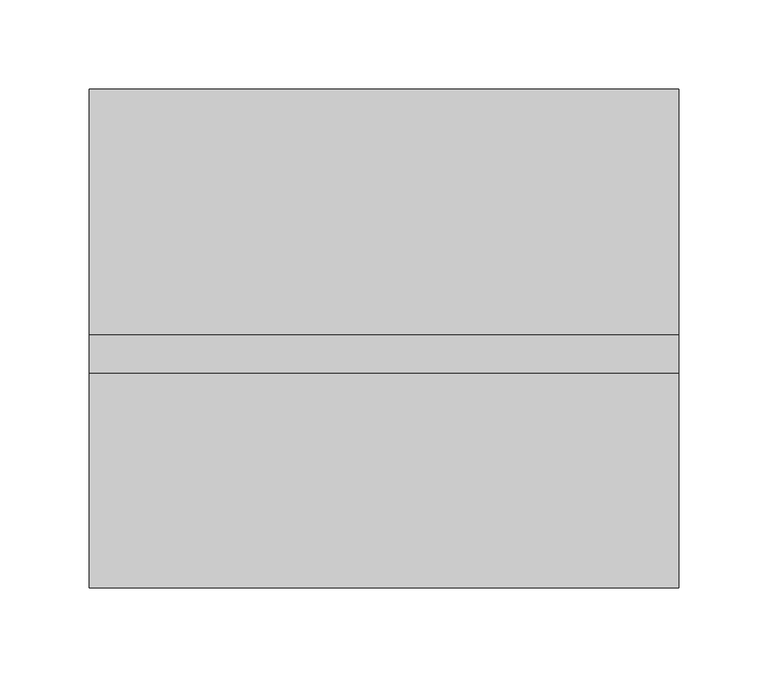
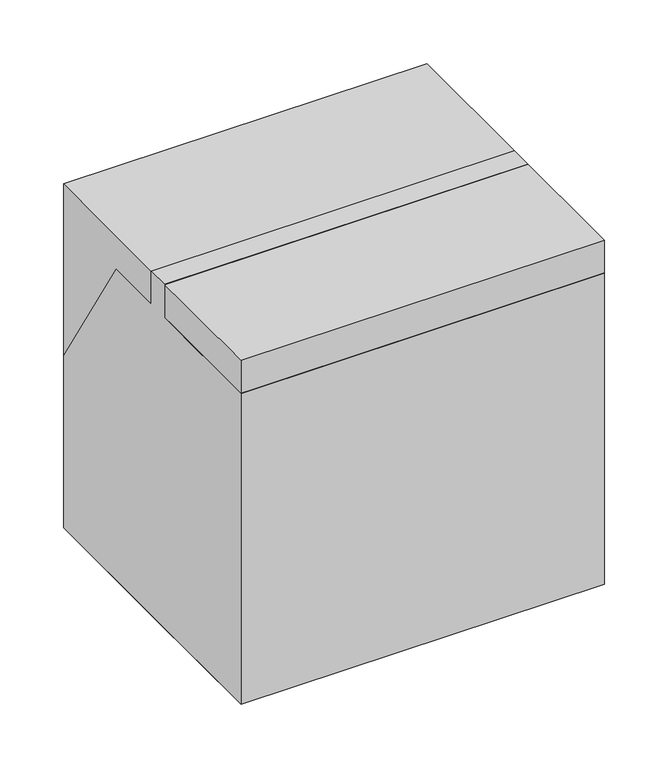
"""IFC4 building model written with IfcOpenShell, lengths in millimetres: proxy geometry."""

from ifc_helpers import new_model, si_unit, origin, origin_with_axes, place, context, project, spatial, polyline, outline, extrude, faceted_brep, source, transform, mapped, element, save


def specialty_equipment_41c80d3f(model_context):
    return source(origin(), model_context, "Body", "SolidModel", [
        faceted_brep([(165.1, -139.7, 0.0), (165.1, 139.7, 0.0), (165.1, 139.7, 165.1), (165.1, 57.15, 298.45), (165.1, 1.7923057, 298.45), (165.1, 1.7923057, 330.2), (165.1, -19.3829835, 330.2), (165.1, -19.3829835, 298.45), (165.1, -139.7, 298.45), (-165.1, -139.7, 0.0), (-165.1, -139.7, 298.45), (-165.1, -19.3829835, 298.45), (-165.1, -19.3829835, 330.2), (-165.1, 1.7923057, 330.2), (-165.1, 1.7923057, 298.45), (-165.1, 57.15, 298.45), (-165.1, 139.7, 165.1), (-165.1, 139.7, 0.0), (130.175, -19.3829835, 323.85), (130.175, -19.3829835, 304.8), (-127.0, -19.3829835, 304.8), (-127.0, -19.3829835, 323.85), (-127.0, 1.7923057, 323.85), (-127.0, 1.7923057, 304.8), (130.175, 1.7923057, 304.8), (130.175, 1.7923057, 323.85)], [[[0, 1, 2, 3, 4, 5, 6, 7, 8]], [[9, 10, 11, 12, 13, 14, 15, 16, 17]], [[8, 10, 9, 0]], [[7, 11, 10, 8]], [[6, 12, 11, 7], [18, 19, 20, 21]], [[5, 13, 12, 6]], [[4, 14, 13, 5], [22, 23, 24, 25]], [[3, 15, 14, 4]], [[2, 16, 15, 3]], [[1, 17, 16, 2]], [[0, 9, 17, 1]], [[22, 25, 18, 21]], [[21, 20, 23, 22]], [[20, 19, 24, 23]], [[25, 24, 19, 18]]]),
        extrude(outline(polyline([(-165.1, -139.7), (-165.1, 0.0), (-165.1, 139.7), (165.1, 139.7), (165.1, -139.7), (-165.1, -139.7)])), origin_with_axes(), (0.0, 0.0, 1.0), 330.2),
    ])


if __name__ == "__main__":
    model = new_model("IFC4")
    model_context = context("Model", 3, world=origin())
    ifc_project = project(units=[si_unit("LENGTHUNIT", "METRE", prefix="MILLI")], contexts=[model_context])
    site = spatial("IfcSite", under=ifc_project)
    building = spatial("IfcBuilding", under=site)
    placement = place(None, origin())
    specialty_equipment_shape = specialty_equipment_41c80d3f(model_context)
    element("IfcBuildingElementProxy", 1, Name="Specialty Equipment", at=placement, inside=building, context=model_context, shape_type="MappedRepresentation", body=[
        mapped(specialty_equipment_shape, transform((0.0, 0.0, 0.0), x_axis=(1.0, 0.0, 0.0), y_axis=(0.0, 1.0, 0.0), z_axis=(0.0, 0.0, 1.0))),
    ])
    save(model, "model.ifc")
